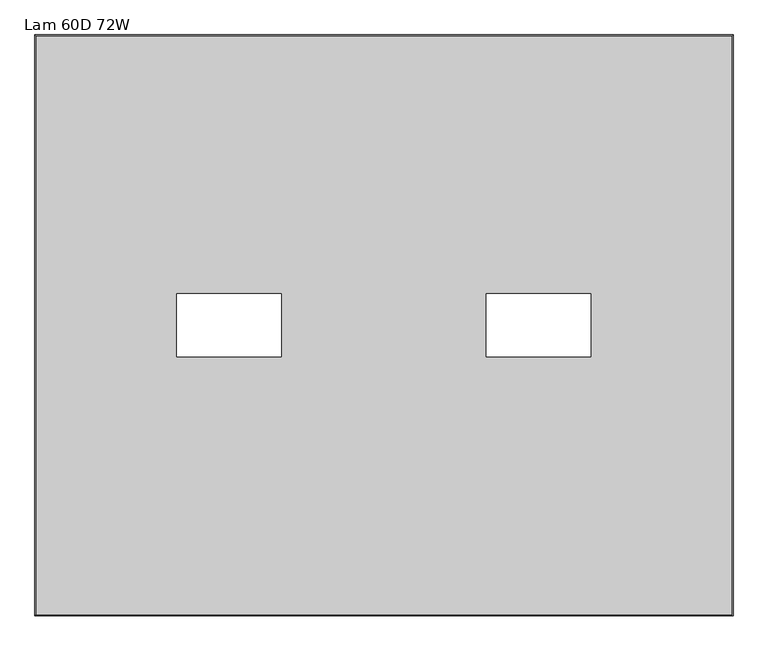
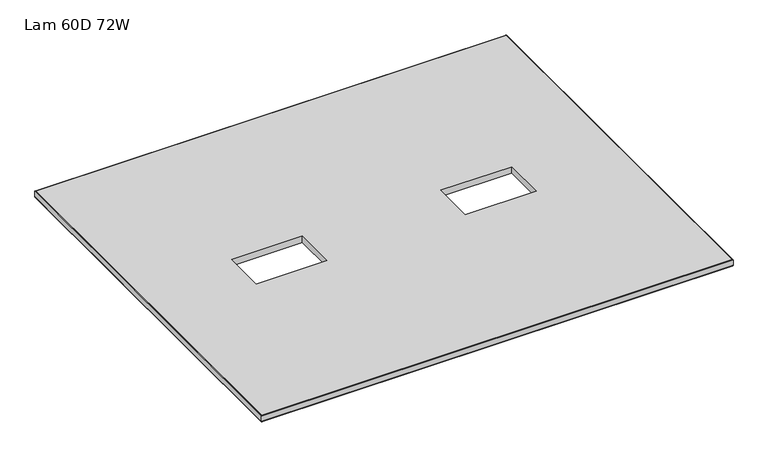
"""IFC4 building model written with IfcOpenShell, lengths in millimetres: furniture geometry, Lam 60D 72W."""

import ifcopenshell
import ifcopenshell.guid

model = None  # the IFC model being written
_history = None  # IfcOwnerHistory: only IFC2X3 demands one
_inside = {}  # id of a spatial element -> (the spatial element, [elements in it])
_under = {}  # id of a project, library or spatial element -> (it, [spatial elements below it])
_declared = {}  # id of a project -> (the project, [libraries it declares])
_typed = {}  # id of a type object -> (the type object, [elements of that type])
_made_of = {}  # id of a material, layer set ... -> (it, [elements and type objects made of it])


def new_model(schema):
    """Start an empty IFC model of exactly this schema.

    Asked for "IFC4X3", IfcOpenShell would pick the latest addendum, in which some entities
    have other attributes; the version numbers below select the first issue.
    IFC2X3 requires an IfcOwnerHistory on every rooted entity: one is made here for all.
    """
    global model, _history
    if schema == "IFC4X3":
        model = ifcopenshell.file(schema_version=(4, 3, 0, 0))
    else:
        model = ifcopenshell.file(schema=schema)
    _inside.clear()
    _under.clear()
    _declared.clear()
    _typed.clear()
    _made_of.clear()
    _history = None
    if model.schema == "IFC2X3":
        org = make("IfcOrganization", Name="unknown")
        user = make(
            "IfcPersonAndOrganization",
            ThePerson=make("IfcPerson", FamilyName="unknown"),
            TheOrganization=org,
        )
        app = make(
            "IfcApplication",
            ApplicationDeveloper=org,
            Version="unknown",
            ApplicationFullName="unknown",
            ApplicationIdentifier="unknown",
        )
        _history = make(
            "IfcOwnerHistory",
            OwningUser=user,
            OwningApplication=app,
            ChangeAction="ADDED",
            CreationDate=0,
        )
    return model


def make(cls, **values):
    """One entity of the class cls with the attributes given. An attribute that is None is left unset."""
    return model.create_entity(
        cls, **{name: value for name, value in values.items() if value is not None}
    )


def rooted(cls, **values):
    """An entity with a GlobalId (a new one), such as an element, a storey or a relation."""
    return make(cls, GlobalId=ifcopenshell.guid.new(), OwnerHistory=_history, **values)


def si_unit(unit_type, name, prefix=None):
    """IfcSIUnit, for example si_unit("LENGTHUNIT", "METRE", prefix="MILLI")."""
    return make("IfcSIUnit", UnitType=unit_type, Prefix=prefix, Name=name)


def assignment(units):
    """IfcUnitAssignment: the units of a project."""
    return None if units is None else make("IfcUnitAssignment", Units=units)


def point(xyz):
    """IfcCartesianPoint."""
    return None if xyz is None else make("IfcCartesianPoint", Coordinates=xyz)


def direction(xyz):
    """IfcDirection."""
    return None if xyz is None else make("IfcDirection", DirectionRatios=xyz)


def frame(location, z_axis=None, x_axis=None):
    """IfcAxis2Placement3D, a coordinate frame: its origin and axes. An axis left out is left unset."""
    return make(
        "IfcAxis2Placement3D",
        Location=point(location),
        Axis=direction(z_axis),
        RefDirection=direction(x_axis),
    )


def origin():
    """The frame at (0, 0, 0) with its axes left unset."""
    return frame((0.0, 0.0, 0.0))


def place(relative_to, where):
    """IfcLocalPlacement: puts the frame where relative to a parent placement (None: the world)."""
    return make(
        "IfcLocalPlacement", PlacementRelTo=relative_to, RelativePlacement=where
    )


def context(
    kind, dimensions, precision=None, world=None, true_north=None, identifier=None
):
    """IfcGeometricRepresentationContext, for example the 3D "Model" context."""
    return make(
        "IfcGeometricRepresentationContext",
        ContextIdentifier=identifier,
        ContextType=kind,
        CoordinateSpaceDimension=dimensions,
        Precision=precision,
        WorldCoordinateSystem=world,
        TrueNorth=true_north,
    )


def project(units=None, contexts=None):
    """IfcProject with its units and contexts."""
    return rooted(
        "IfcProject",
        Name="project",
        RepresentationContexts=contexts,
        UnitsInContext=assignment(units),
    )


def spatial(cls, under=None, at=None, **own):
    """A site, building, storey or space (cls), placed at a placement, below another one or the project."""
    s = rooted(cls, ObjectPlacement=at, **own)
    if under is not None:
        _under.setdefault(under.id(), (under, []))[1].append(s)
    return s


def polyline(points):
    """IfcPolyline through the points."""
    return make("IfcPolyline", Points=[point(p) for p in points])


def ellipse_curve(where, semi_axis1, semi_axis2):
    """IfcEllipse in the frame where."""
    return make(
        "IfcEllipse", Position=where, SemiAxis1=semi_axis1, SemiAxis2=semi_axis2
    )


def outline(outer, holes=None, kind="AREA"):
    """IfcArbitraryClosedProfileDef: a profile drawn as a closed curve; with holes, ...WithVoids."""
    if holes is None:
        return make("IfcArbitraryClosedProfileDef", ProfileType=kind, OuterCurve=outer)
    return make(
        "IfcArbitraryProfileDefWithVoids",
        ProfileType=kind,
        OuterCurve=outer,
        InnerCurves=holes,
    )


def extrude(swept, where, along, depth):
    """IfcExtrudedAreaSolid: the profile swept, set in the frame where, extruded along a direction by depth."""
    return make(
        "IfcExtrudedAreaSolid",
        SweptArea=swept,
        Position=where,
        ExtrudedDirection=direction(along),
        Depth=depth,
    )


def shape(context_of_items, identifier, shape_type, items):
    """IfcShapeRepresentation: the items that make up one representation, for example the "Body"."""
    return make(
        "IfcShapeRepresentation",
        ContextOfItems=context_of_items,
        RepresentationIdentifier=identifier,
        RepresentationType=shape_type,
        Items=items,
    )


def source(mapping_origin, context_of_items, identifier, shape_type, items):
    """IfcRepresentationMap: a shape defined once, which mapped items show again and again."""
    return make(
        "IfcRepresentationMap",
        MappingOrigin=mapping_origin,
        MappedRepresentation=shape(context_of_items, identifier, shape_type, items),
    )


def transform(
    local_origin,
    x_axis=None,
    y_axis=None,
    z_axis=None,
    scale=None,
    scale2=None,
    scale3=None,
    uniform=True,
):
    """IfcCartesianTransformationOperator3D, or its non-uniform kind. x_axis, y_axis, z_axis: its Axis1, 2, 3."""
    if uniform:
        return make(
            "IfcCartesianTransformationOperator3D",
            Axis1=direction(x_axis),
            Axis2=direction(y_axis),
            LocalOrigin=point(local_origin),
            Scale=scale,
            Axis3=direction(z_axis),
        )
    return make(
        "IfcCartesianTransformationOperator3DnonUniform",
        Axis1=direction(x_axis),
        Axis2=direction(y_axis),
        LocalOrigin=point(local_origin),
        Scale=scale,
        Axis3=direction(z_axis),
        Scale2=scale2,
        Scale3=scale3,
    )


def mapped(mapping_source, mapping_target):
    """IfcMappedItem: shows the shape of a source again, moved by a transform."""
    return make(
        "IfcMappedItem", MappingSource=mapping_source, MappingTarget=mapping_target
    )


def made_of(thing, what):
    """Note that an element or type object is made of a material, layer set ...; save() writes the relation."""
    if what is not None:
        _made_of.setdefault(what.id(), (what, []))[1].append(thing)
    return thing


def element(
    cls,
    number,
    at=None,
    inside=None,
    cuts=None,
    type_object=None,
    material=None,
    context=None,
    identifier="Body",
    shape_type=None,
    held_by="IfcProductDefinitionShape",
    body=None,
    shapes=None,
    **own,
):
    """One element of the class cls, such as IfcWall. Its Tag is "e" and its number.

    at: its placement. inside: the storey or other place that contains it. cuts: it is an
    opening in that element (IfcRelVoidsElement). A single representation is given by context,
    identifier, shape_type and body (its items); several are given by shapes. held_by: the class
    of the entity that holds the representations. save() writes the other relations.
    """
    e = rooted(cls, Tag="e%d" % number, ObjectPlacement=at, **own)
    if body is not None:
        shapes = [shape(context, identifier, shape_type, body)]
    if shapes is not None:
        e.Representation = make(held_by, Representations=shapes)
    if inside is not None:
        _inside.setdefault(inside.id(), (inside, []))[1].append(e)
    if cuts is not None:
        rooted(
            "IfcRelVoidsElement", RelatingBuildingElement=cuts, RelatedOpeningElement=e
        )
    if type_object is not None:
        _typed.setdefault(type_object.id(), (type_object, []))[1].append(e)
    return made_of(e, material)


def aggregate(whole, parts):
    """IfcRelAggregates: a whole, such as a stair, and the parts it consists of."""
    return rooted("IfcRelAggregates", RelatingObject=whole, RelatedObjects=parts)


def save(model, path):
    """Write the relations noted so far, then the file.

    IfcRelAggregates (storeys below a building ...), IfcRelContainedInSpatialStructure (elements
    in a storey), IfcRelDefinesByType, IfcRelAssociatesMaterial and IfcRelDeclares: one each for
    every whole, place, type object, material and project.
    """
    for whole, parts in _under.values():
        aggregate(whole, parts)
    for where, things in _inside.values():
        rooted(
            "IfcRelContainedInSpatialStructure",
            RelatedElements=things,
            RelatingStructure=where,
        )
    for kind, things in _typed.values():
        rooted("IfcRelDefinesByType", RelatedObjects=things, RelatingType=kind)
    for what, things in _made_of.values():
        rooted("IfcRelAssociatesMaterial", RelatedObjects=things, RelatingMaterial=what)
    for by, libraries in _declared.values():
        rooted("IfcRelDeclares", RelatingContext=by, RelatedDefinitions=libraries)
    model.write(path)


def plane_surface(at):
    """IfcPlane: the flat surface through the origin of the frame at, square to its z axis."""
    return make("IfcPlane", Position=at)


def cylinder_surface(at, radius):
    """IfcCylindricalSurface: all points at the distance radius from the z axis of the frame at."""
    return make("IfcCylindricalSurface", Position=at, Radius=radius)


def advanced_brep(points, edges, surfaces, faces):
    """IfcAdvancedBrep: a solid bounded by faces that lie on surfaces and meet in shared edges.

    An edge is (start, end): straight between two places in points (the first is 0);
    or (start, end, curve); or (start, end, curve, False) where it runs against its curve.
    A face is (place in surfaces, loops), or (place, loops, False) where it looks against
    its surface's normal. A loop lists edges by number (the first is 1), with a minus sign
    where the edge is run from its end to its start. The first loop is the outer one.
    """
    corners = [point(p) for p in points]
    vertices = [make("IfcVertexPoint", VertexGeometry=c) for c in corners]
    made = []
    for start, end, *more in edges:
        made.append(
            make(
                "IfcEdgeCurve",
                EdgeStart=vertices[start],
                EdgeEnd=vertices[end],
                EdgeGeometry=more[0] if more else make("IfcPolyline", Points=[corners[start], corners[end]]),
                SameSense=more[1] if len(more) > 1 else True,
            )
        )
    hull = []
    for where, loops, *sense in faces:
        bounds = []
        for j, loop in enumerate(loops):
            ring = [make("IfcOrientedEdge", EdgeElement=made[abs(k) - 1], Orientation=k > 0) for k in loop]
            bounds.append(
                make(
                    "IfcFaceOuterBound" if j == 0 else "IfcFaceBound",
                    Bound=make("IfcEdgeLoop", EdgeList=ring),
                    Orientation=True,
                )
            )
        hull.append(make("IfcAdvancedFace", Bounds=bounds, FaceSurface=surfaces[where], SameSense=sense[0] if sense else True))
    return make("IfcAdvancedBrep", Outer=make("IfcClosedShell", CfsFaces=hull))


def lam_60d_72w_96ba2a1a(model_context):
    return source(origin(), model_context, "Body", "SolidModel", [
        advanced_brep(
        [(-1097.0, 757.2248, 723.9), (-1097.0, 757.2248, 698.5), (724.1518, 757.2248, 698.5), (724.1518, 757.2248, 723.9), (724.1518, -757.2248, 698.5), (724.1518, -757.2248, 723.9), (-1097.0, -757.2248, 698.5), (-1097.0, -757.2248, 723.9), (-1098.6002, 758.825, 700.1002), (-1098.6002, 758.825, 722.2998), (725.752, 758.825, 722.2998), (725.752, 758.825, 700.1002), (725.752, -758.825, 722.2998), (725.752, -758.825, 700.1002), (-1098.6002, -758.825, 722.2998), (-1098.6002, -758.825, 700.1002)],
        [
            (0, 1),
            (1, 2),
            (2, 3),
            (3, 0),
            (2, 4),
            (4, 5),
            (5, 3),
            (4, 6),
            (6, 7),
            (7, 5),
            (6, 1),
            (0, 7),
            (8, 9),
            (9, 10),
            (10, 11),
            (11, 8),
            (10, 12),
            (12, 13),
            (13, 11),
            (12, 14),
            (14, 15),
            (15, 13),
            (14, 9),
            (8, 15),
            (9, 0, ellipse_curve(frame((-1097.0, 757.2248, 722.2998), z_axis=(0.7071067811865475, 0.7071067811865475, 0.0), x_axis=(-0.7071067811865476, 0.7071067811865474, 0.0)), 2.2630245, 1.6002)),
            (3, 10, ellipse_curve(frame((724.1518, 757.2248, 722.2998), z_axis=(-0.7071067811865475, 0.7071067811865475, 0.0), x_axis=(-0.7071067811865476, -0.7071067811865474, 0.0)), 2.2630245, 1.6002)),
            (1, 8, ellipse_curve(frame((-1097.0, 757.2248, 700.1002), z_axis=(0.7071067811865475, 0.7071067811865475, 0.0), x_axis=(-0.7071067811865476, 0.7071067811865474, 0.0)), 2.2630245, 1.6002)),
            (11, 2, ellipse_curve(frame((724.1518, 757.2248, 700.1002), z_axis=(-0.7071067811865475, 0.7071067811865475, 0.0), x_axis=(-0.7071067811865476, -0.7071067811865474, 0.0)), 2.2630245, 1.6002)),
            (5, 12, ellipse_curve(frame((724.1518, -757.2248, 722.2998), z_axis=(0.7071067811865475, 0.7071067811865475, 0.0), x_axis=(-0.7071067811865474, 0.7071067811865476, 0.0)), 2.2630245, 1.6002)),
            (13, 4, ellipse_curve(frame((724.1518, -757.2248, 700.1002), z_axis=(0.7071067811865475, 0.7071067811865475, 0.0), x_axis=(-0.7071067811865474, 0.7071067811865476, 0.0)), 2.2630245, 1.6002)),
            (7, 14, ellipse_curve(frame((-1097.0, -757.2248, 722.2998), z_axis=(0.7071067811865475, -0.7071067811865475, 0.0), x_axis=(0.7071067811865476, 0.7071067811865474, 0.0)), 2.2630245, 1.6002)),
            (15, 6, ellipse_curve(frame((-1097.0, -757.2248, 700.1002), z_axis=(0.7071067811865475, -0.7071067811865475, 0.0), x_axis=(0.7071067811865476, 0.7071067811865474, 0.0)), 2.2630245, 1.6002)),
        ],
        [
            plane_surface(frame((-1097.0, 757.2248, 698.5), z_axis=(0.0, -1.0, 0.0), x_axis=(1.0, 0.0, 0.0))),
            plane_surface(frame((724.1518, 757.2248, 698.5), z_axis=(-1.0, 0.0, 0.0), x_axis=(0.0, -1.0, 0.0))),
            plane_surface(frame((724.1518, -757.2248, 698.5), z_axis=(0.0, 1.0, 0.0), x_axis=(-1.0, 0.0, 0.0))),
            plane_surface(frame((-1097.0, -757.2248, 698.5), z_axis=(1.0, 0.0, 0.0), x_axis=(0.0, 1.0, 0.0))),
            plane_surface(frame((-1098.6002, 758.825, 722.2998), z_axis=(0.0, 1.0, 0.0), x_axis=(1.0, 0.0, 0.0))),
            plane_surface(frame((725.752, 758.825, 722.2998), z_axis=(1.0, 0.0, 0.0), x_axis=(0.0, -1.0, 0.0))),
            plane_surface(frame((725.752, -758.825, 722.2998), z_axis=(0.0, -1.0, 0.0), x_axis=(-1.0, 0.0, 0.0))),
            plane_surface(frame((-1098.6002, -758.825, 722.2998), z_axis=(-1.0, 0.0, 0.0), x_axis=(0.0, 1.0, 0.0))),
            cylinder_surface(frame((-1097.0, 757.2248, 722.2998), z_axis=(-1.0, 0.0, 0.0), x_axis=(0.0, -1.0, 0.0)), 1.6002),
            cylinder_surface(frame((-1097.0, 757.2248, 700.1002), z_axis=(-1.0, 0.0, 0.0), x_axis=(0.0, -1.0, 0.0)), 1.6002),
            cylinder_surface(frame((724.1518, 757.2248, 722.2998), z_axis=(0.0, 1.0, 0.0), x_axis=(-1.0, 0.0, 0.0)), 1.6002),
            cylinder_surface(frame((724.1518, 757.2248, 700.1002), z_axis=(0.0, 1.0, 0.0), x_axis=(-1.0, 0.0, 0.0)), 1.6002),
            cylinder_surface(frame((724.1518, -757.2248, 722.2998), z_axis=(1.0, 0.0, 0.0), x_axis=(0.0, 1.0, 0.0)), 1.6002),
            cylinder_surface(frame((724.1518, -757.2248, 700.1002), z_axis=(1.0, 0.0, 0.0), x_axis=(0.0, 1.0, 0.0)), 1.6002),
            cylinder_surface(frame((-1097.0, -757.2248, 722.2998), z_axis=(0.0, -1.0, 0.0), x_axis=(1.0, 0.0, 0.0)), 1.6002),
            cylinder_surface(frame((-1097.0, -757.2248, 700.1002), z_axis=(0.0, -1.0, 0.0), x_axis=(1.0, 0.0, 0.0)), 1.6002),
        ],
        [
            (0, [[1, 2, 3, 4]]),
            (1, [[-3, 5, 6, 7]]),
            (2, [[-6, 8, 9, 10]]),
            (3, [[-9, 11, -1, 12]]),
            (4, [[13, 14, 15, 16]]),
            (5, [[-15, 17, 18, 19]]),
            (6, [[-18, 20, 21, 22]]),
            (7, [[-21, 23, -13, 24]]),
            (8, [[25, -4, 26, -14]]),
            (9, [[27, -16, 28, -2]]),
            (10, [[-26, -7, 29, -17]]),
            (11, [[-28, -19, 30, -5]]),
            (12, [[-29, -10, 31, -20]]),
            (13, [[-30, -22, 32, -8]]),
            (14, [[-31, -12, -25, -23]]),
            (15, [[-32, -24, -27, -11]]),
        ],
    ),
        extrude(outline(polyline([(724.1518, 757.2248), (724.1518, -757.2248), (-1097.0, -757.2248), (-1097.0, 757.2248), (724.1518, 757.2248)]), holes=[polyline([(-455.4623, 81.915), (-728.5123, 81.915), (-728.5123, -81.915), (-455.4623, -81.915), (-455.4623, 81.915)]), polyline([(354.2643, 81.915), (81.2143, 81.915), (81.2143, -81.915), (354.2643, -81.915), (354.2643, 81.915)])]), frame((0.0, 0.0, 698.5), z_axis=(0.0, 0.0, 1.0), x_axis=(1.0, 0.0, 0.0)), (0.0, 0.0, 1.0), 25.4),
    ])


if __name__ == "__main__":
    model = new_model("IFC4")
    model_context = context("Model", 3, world=origin())
    ifc_project = project(units=[si_unit("LENGTHUNIT", "METRE", prefix="MILLI")], contexts=[model_context])
    site = spatial("IfcSite", under=ifc_project)
    building = spatial("IfcBuilding", under=site)
    placement = place(None, origin())
    lam_60d_72w_shape = lam_60d_72w_96ba2a1a(model_context)
    element("IfcFurniture", 1, ObjectType="Lam 60D 72W", at=placement, inside=building, context=model_context, shape_type="MappedRepresentation", body=[
        mapped(lam_60d_72w_shape, transform((0.0, 0.0, 0.0), x_axis=(1.0, 0.0, 0.0), y_axis=(0.0, 1.0, 0.0), z_axis=(0.0, 0.0, 1.0))),
    ])
    save(model, "model.ifc")
